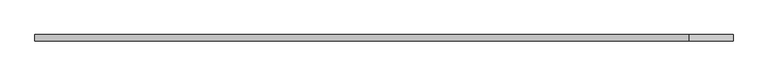
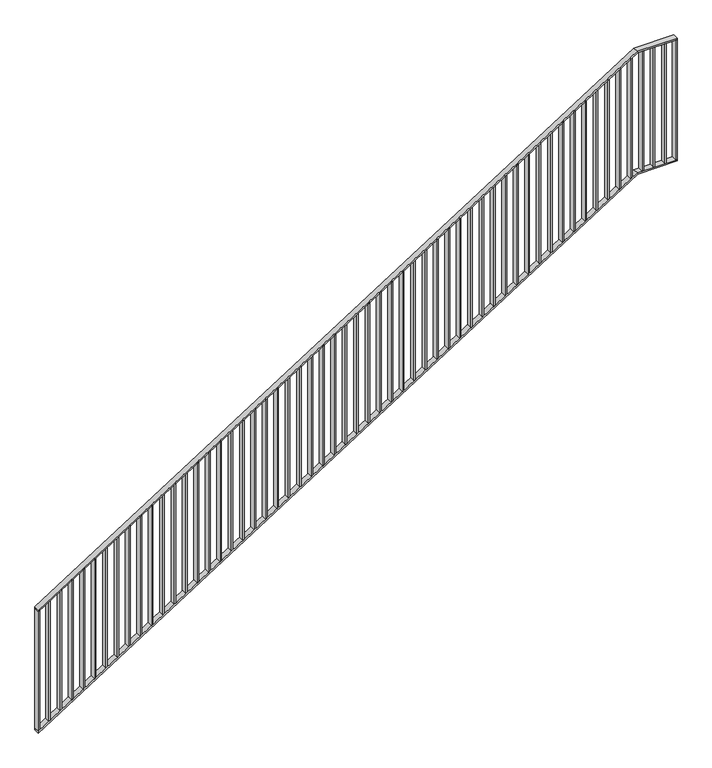
"""IFC4 building model written with IfcOpenShell, lengths in millimetres: railing geometry."""

import ifcopenshell
import ifcopenshell.guid

model = None  # the IFC model being written
_history = None  # IfcOwnerHistory: only IFC2X3 demands one
_inside = {}  # id of a spatial element -> (the spatial element, [elements in it])
_under = {}  # id of a project, library or spatial element -> (it, [spatial elements below it])
_declared = {}  # id of a project -> (the project, [libraries it declares])
_typed = {}  # id of a type object -> (the type object, [elements of that type])
_made_of = {}  # id of a material, layer set ... -> (it, [elements and type objects made of it])


def new_model(schema):
    """Start an empty IFC model of exactly this schema.

    Asked for "IFC4X3", IfcOpenShell would pick the latest addendum, in which some entities
    have other attributes; the version numbers below select the first issue.
    IFC2X3 requires an IfcOwnerHistory on every rooted entity: one is made here for all.
    """
    global model, _history
    if schema == "IFC4X3":
        model = ifcopenshell.file(schema_version=(4, 3, 0, 0))
    else:
        model = ifcopenshell.file(schema=schema)
    _inside.clear()
    _under.clear()
    _declared.clear()
    _typed.clear()
    _made_of.clear()
    _history = None
    if model.schema == "IFC2X3":
        org = make("IfcOrganization", Name="unknown")
        user = make(
            "IfcPersonAndOrganization",
            ThePerson=make("IfcPerson", FamilyName="unknown"),
            TheOrganization=org,
        )
        app = make(
            "IfcApplication",
            ApplicationDeveloper=org,
            Version="unknown",
            ApplicationFullName="unknown",
            ApplicationIdentifier="unknown",
        )
        _history = make(
            "IfcOwnerHistory",
            OwningUser=user,
            OwningApplication=app,
            ChangeAction="ADDED",
            CreationDate=0,
        )
    return model


def make(cls, **values):
    """One entity of the class cls with the attributes given. An attribute that is None is left unset."""
    return model.create_entity(
        cls, **{name: value for name, value in values.items() if value is not None}
    )


def rooted(cls, **values):
    """An entity with a GlobalId (a new one), such as an element, a storey or a relation."""
    return make(cls, GlobalId=ifcopenshell.guid.new(), OwnerHistory=_history, **values)


def si_unit(unit_type, name, prefix=None):
    """IfcSIUnit, for example si_unit("LENGTHUNIT", "METRE", prefix="MILLI")."""
    return make("IfcSIUnit", UnitType=unit_type, Prefix=prefix, Name=name)


def assignment(units):
    """IfcUnitAssignment: the units of a project."""
    return None if units is None else make("IfcUnitAssignment", Units=units)


def point(xyz):
    """IfcCartesianPoint."""
    return None if xyz is None else make("IfcCartesianPoint", Coordinates=xyz)


def direction(xyz):
    """IfcDirection."""
    return None if xyz is None else make("IfcDirection", DirectionRatios=xyz)


def frame(location, z_axis=None, x_axis=None):
    """IfcAxis2Placement3D, a coordinate frame: its origin and axes. An axis left out is left unset."""
    return make(
        "IfcAxis2Placement3D",
        Location=point(location),
        Axis=direction(z_axis),
        RefDirection=direction(x_axis),
    )


def origin():
    """The frame at (0, 0, 0) with its axes left unset."""
    return frame((0.0, 0.0, 0.0))


def place(relative_to, where):
    """IfcLocalPlacement: puts the frame where relative to a parent placement (None: the world)."""
    return make(
        "IfcLocalPlacement", PlacementRelTo=relative_to, RelativePlacement=where
    )


def context(
    kind, dimensions, precision=None, world=None, true_north=None, identifier=None
):
    """IfcGeometricRepresentationContext, for example the 3D "Model" context."""
    return make(
        "IfcGeometricRepresentationContext",
        ContextIdentifier=identifier,
        ContextType=kind,
        CoordinateSpaceDimension=dimensions,
        Precision=precision,
        WorldCoordinateSystem=world,
        TrueNorth=true_north,
    )


def project(units=None, contexts=None):
    """IfcProject with its units and contexts."""
    return rooted(
        "IfcProject",
        Name="project",
        RepresentationContexts=contexts,
        UnitsInContext=assignment(units),
    )


def spatial(cls, under=None, at=None, **own):
    """A site, building, storey or space (cls), placed at a placement, below another one or the project."""
    s = rooted(cls, ObjectPlacement=at, **own)
    if under is not None:
        _under.setdefault(under.id(), (under, []))[1].append(s)
    return s


def polyline(points):
    """IfcPolyline through the points."""
    return make("IfcPolyline", Points=[point(p) for p in points])


def outline(outer, holes=None, kind="AREA"):
    """IfcArbitraryClosedProfileDef: a profile drawn as a closed curve; with holes, ...WithVoids."""
    if holes is None:
        return make("IfcArbitraryClosedProfileDef", ProfileType=kind, OuterCurve=outer)
    return make(
        "IfcArbitraryProfileDefWithVoids",
        ProfileType=kind,
        OuterCurve=outer,
        InnerCurves=holes,
    )


def extrude(swept, where, along, depth):
    """IfcExtrudedAreaSolid: the profile swept, set in the frame where, extruded along a direction by depth."""
    return make(
        "IfcExtrudedAreaSolid",
        SweptArea=swept,
        Position=where,
        ExtrudedDirection=direction(along),
        Depth=depth,
    )


def faces_of(points, faces, orient=None, outer=None):
    """IfcFace entities. A face is a list of loops; a loop is a list of indices into points, from 0.

    orient and outer hold one flag for each loop. By default every Orientation is true, the
    first loop of a face is its IfcFaceOuterBound and the others are IfcFaceBound.
    """
    made = []
    for i, loops in enumerate(faces):
        bounds = []
        for j, loop in enumerate(loops):
            is_outer = j == 0 if outer is None else outer[i][j]
            bounds.append(
                make(
                    "IfcFaceOuterBound" if is_outer else "IfcFaceBound",
                    Bound=make("IfcPolyLoop", Polygon=[points[k] for k in loop]),
                    Orientation=True if orient is None else orient[i][j],
                )
            )
        made.append(make("IfcFace", Bounds=bounds))
    return made


def faceted_brep(points, faces, orient=None, outer=None, voids=None):
    """IfcFacetedBrep: a solid bounded by flat faces; with voids (closed shells), ...WithVoids."""
    shared = [point(p) for p in points]
    hull = make("IfcClosedShell", CfsFaces=faces_of(shared, faces, orient, outer))
    if voids is None:
        return make("IfcFacetedBrep", Outer=hull)
    return make(
        "IfcFacetedBrepWithVoids",
        Outer=hull,
        Voids=[
            make(cls, CfsFaces=faces_of(shared, fs, o, b)) for cls, fs, o, b in voids
        ],
    )


def shape(context_of_items, identifier, shape_type, items):
    """IfcShapeRepresentation: the items that make up one representation, for example the "Body"."""
    return make(
        "IfcShapeRepresentation",
        ContextOfItems=context_of_items,
        RepresentationIdentifier=identifier,
        RepresentationType=shape_type,
        Items=items,
    )


def source(mapping_origin, context_of_items, identifier, shape_type, items):
    """IfcRepresentationMap: a shape defined once, which mapped items show again and again."""
    return make(
        "IfcRepresentationMap",
        MappingOrigin=mapping_origin,
        MappedRepresentation=shape(context_of_items, identifier, shape_type, items),
    )


def transform(
    local_origin,
    x_axis=None,
    y_axis=None,
    z_axis=None,
    scale=None,
    scale2=None,
    scale3=None,
    uniform=True,
):
    """IfcCartesianTransformationOperator3D, or its non-uniform kind. x_axis, y_axis, z_axis: its Axis1, 2, 3."""
    if uniform:
        return make(
            "IfcCartesianTransformationOperator3D",
            Axis1=direction(x_axis),
            Axis2=direction(y_axis),
            LocalOrigin=point(local_origin),
            Scale=scale,
            Axis3=direction(z_axis),
        )
    return make(
        "IfcCartesianTransformationOperator3DnonUniform",
        Axis1=direction(x_axis),
        Axis2=direction(y_axis),
        LocalOrigin=point(local_origin),
        Scale=scale,
        Axis3=direction(z_axis),
        Scale2=scale2,
        Scale3=scale3,
    )


def mapped(mapping_source, mapping_target):
    """IfcMappedItem: shows the shape of a source again, moved by a transform."""
    return make(
        "IfcMappedItem", MappingSource=mapping_source, MappingTarget=mapping_target
    )


def made_of(thing, what):
    """Note that an element or type object is made of a material, layer set ...; save() writes the relation."""
    if what is not None:
        _made_of.setdefault(what.id(), (what, []))[1].append(thing)
    return thing


def element(
    cls,
    number,
    at=None,
    inside=None,
    cuts=None,
    type_object=None,
    material=None,
    context=None,
    identifier="Body",
    shape_type=None,
    held_by="IfcProductDefinitionShape",
    body=None,
    shapes=None,
    **own,
):
    """One element of the class cls, such as IfcWall. Its Tag is "e" and its number.

    at: its placement. inside: the storey or other place that contains it. cuts: it is an
    opening in that element (IfcRelVoidsElement). A single representation is given by context,
    identifier, shape_type and body (its items); several are given by shapes. held_by: the class
    of the entity that holds the representations. save() writes the other relations.
    """
    e = rooted(cls, Tag="e%d" % number, ObjectPlacement=at, **own)
    if body is not None:
        shapes = [shape(context, identifier, shape_type, body)]
    if shapes is not None:
        e.Representation = make(held_by, Representations=shapes)
    if inside is not None:
        _inside.setdefault(inside.id(), (inside, []))[1].append(e)
    if cuts is not None:
        rooted(
            "IfcRelVoidsElement", RelatingBuildingElement=cuts, RelatedOpeningElement=e
        )
    if type_object is not None:
        _typed.setdefault(type_object.id(), (type_object, []))[1].append(e)
    return made_of(e, material)


def aggregate(whole, parts):
    """IfcRelAggregates: a whole, such as a stair, and the parts it consists of."""
    return rooted("IfcRelAggregates", RelatingObject=whole, RelatedObjects=parts)


def save(model, path):
    """Write the relations noted so far, then the file.

    IfcRelAggregates (storeys below a building ...), IfcRelContainedInSpatialStructure (elements
    in a storey), IfcRelDefinesByType, IfcRelAssociatesMaterial and IfcRelDeclares: one each for
    every whole, place, type object, material and project.
    """
    for whole, parts in _under.values():
        aggregate(whole, parts)
    for where, things in _inside.values():
        rooted(
            "IfcRelContainedInSpatialStructure",
            RelatedElements=things,
            RelatingStructure=where,
        )
    for kind, things in _typed.values():
        rooted("IfcRelDefinesByType", RelatedObjects=things, RelatingType=kind)
    for what, things in _made_of.values():
        rooted("IfcRelAssociatesMaterial", RelatedObjects=things, RelatingMaterial=what)
    for by, libraries in _declared.values():
        rooted("IfcRelDeclares", RelatingContext=by, RelatedDefinitions=libraries)
    model.write(path)


def railing_c25cf98c(model_context):
    return source(origin(), model_context, "Body", "SolidModel", [
        faceted_brep([(0.0, -14.6, 1178.125), (0.0, 25.4, 1178.125), (0.0, 25.4, 1166.272994), (0.0, -14.6, 1166.272994), (4200.0, -14.6, 3850.0), (4200.0, 25.4, 3850.0), (4202.9112234, 25.4, 3840.0), (4202.9112234, -14.6, 3840.0), (4480.0, -14.6, 3850.0), (4480.0, -14.6, 3840.0), (4480.0, 25.4, 3840.0), (4480.0, 25.4, 3850.0)], [[[0, 1, 2, 3]], [[1, 0, 4, 5]], [[2, 1, 5, 6]], [[3, 2, 6, 7]], [[0, 3, 7, 4]], [[8, 9, 10, 11]], [[5, 4, 8, 11]], [[6, 5, 11, 10]], [[7, 6, 10, 9]], [[4, 7, 9, 8]]]),
        faceted_brep([(0.0, -14.6, 278.125), (0.0, 25.4, 278.125), (0.0, 25.4, 266.272994), (0.0, -14.6, 266.272994), (4200.0, -14.6, 2950.0), (4200.0, 25.4, 2950.0), (4202.9112234, 25.4, 2940.0), (4202.9112234, -14.6, 2940.0), (4480.0, -14.6, 2950.0), (4480.0, -14.6, 2940.0), (4480.0, 25.4, 2940.0), (4480.0, 25.4, 2950.0)], [[[0, 1, 2, 3]], [[1, 0, 4, 5]], [[2, 1, 5, 6]], [[3, 2, 6, 7]], [[0, 3, 7, 4]], [[8, 9, 10, 11]], [[5, 4, 8, 11]], [[6, 5, 11, 10]], [[7, 6, 10, 9]], [[4, 7, 9, 8]]]),
        extrude(outline(polyline([(4395.0, -14.6), (4395.0, 25.4), (4405.0, 25.4), (4405.0, -14.6), (4395.0, -14.6)])), frame((0.0, 0.0, 2950.0), z_axis=(0.0, 0.0, 1.0), x_axis=(1.0, 0.0, 0.0)), (0.0, 0.0, 1.0), 890.0),
        extrude(outline(polyline([(4315.0, -14.6), (4315.0, 25.4), (4325.0, 25.4), (4325.0, -14.6), (4315.0, -14.6)])), frame((0.0, 0.0, 2950.0), z_axis=(0.0, 0.0, 1.0), x_axis=(1.0, 0.0, 0.0)), (0.0, 0.0, 1.0), 890.0),
        extrude(outline(polyline([(4235.0, -14.6), (4235.0, 25.4), (4245.0, 25.4), (4245.0, -14.6), (4235.0, -14.6)])), frame((0.0, 0.0, 2950.0), z_axis=(0.0, 0.0, 1.0), x_axis=(1.0, 0.0, 0.0)), (0.0, 0.0, 1.0), 890.0),
        extrude(outline(polyline([(3811.3727679, 4155.0), (2921.3727679, 4155.0), (2927.734375, 4165.0), (3817.734375, 4165.0), (3811.3727679, 4155.0)])), frame((0.0, -14.6, 0.0), z_axis=(0.0, 1.0, 0.0), x_axis=(0.0, 0.0, 1.0)), (0.0, 0.0, 1.0), 40.0),
        extrude(outline(polyline([(3760.4799107, 4075.0), (2870.4799107, 4075.0), (2876.8415179, 4085.0), (3766.8415179, 4085.0), (3760.4799107, 4075.0)])), frame((0.0, -14.6, 0.0), z_axis=(0.0, 1.0, 0.0), x_axis=(0.0, 0.0, 1.0)), (0.0, 0.0, 1.0), 40.0),
        extrude(outline(polyline([(3709.5870536, 3995.0), (2819.5870536, 3995.0), (2825.9486607, 4005.0), (3715.9486607, 4005.0), (3709.5870536, 3995.0)])), frame((0.0, -14.6, 0.0), z_axis=(0.0, 1.0, 0.0), x_axis=(0.0, 0.0, 1.0)), (0.0, 0.0, 1.0), 40.0),
        extrude(outline(polyline([(3658.6941964, 3915.0), (2768.6941964, 3915.0), (2775.0558036, 3925.0), (3665.0558036, 3925.0), (3658.6941964, 3915.0)])), frame((0.0, -14.6, 0.0), z_axis=(0.0, 1.0, 0.0), x_axis=(0.0, 0.0, 1.0)), (0.0, 0.0, 1.0), 40.0),
        extrude(outline(polyline([(3607.8013393, 3835.0), (2717.8013393, 3835.0), (2724.1629464, 3845.0), (3614.1629464, 3845.0), (3607.8013393, 3835.0)])), frame((0.0, -14.6, 0.0), z_axis=(0.0, 1.0, 0.0), x_axis=(0.0, 0.0, 1.0)), (0.0, 0.0, 1.0), 40.0),
        extrude(outline(polyline([(3556.9084821, 3755.0), (2666.9084821, 3755.0), (2673.2700893, 3765.0), (3563.2700893, 3765.0), (3556.9084821, 3755.0)])), frame((0.0, -14.6, 0.0), z_axis=(0.0, 1.0, 0.0), x_axis=(0.0, 0.0, 1.0)), (0.0, 0.0, 1.0), 40.0),
        extrude(outline(polyline([(3506.015625, 3675.0), (2616.015625, 3675.0), (2622.3772321, 3685.0), (3512.3772321, 3685.0), (3506.015625, 3675.0)])), frame((0.0, -14.6, 0.0), z_axis=(0.0, 1.0, 0.0), x_axis=(0.0, 0.0, 1.0)), (0.0, 0.0, 1.0), 40.0),
        extrude(outline(polyline([(3455.1227679, 3595.0), (2565.1227679, 3595.0), (2571.484375, 3605.0), (3461.484375, 3605.0), (3455.1227679, 3595.0)])), frame((0.0, -14.6, 0.0), z_axis=(0.0, 1.0, 0.0), x_axis=(0.0, 0.0, 1.0)), (0.0, 0.0, 1.0), 40.0),
        extrude(outline(polyline([(3404.2299107, 3515.0), (2514.2299107, 3515.0), (2520.5915179, 3525.0), (3410.5915179, 3525.0), (3404.2299107, 3515.0)])), frame((0.0, -14.6, 0.0), z_axis=(0.0, 1.0, 0.0), x_axis=(0.0, 0.0, 1.0)), (0.0, 0.0, 1.0), 40.0),
        extrude(outline(polyline([(3353.3370536, 3435.0), (2463.3370536, 3435.0), (2469.6986607, 3445.0), (3359.6986607, 3445.0), (3353.3370536, 3435.0)])), frame((0.0, -14.6, 0.0), z_axis=(0.0, 1.0, 0.0), x_axis=(0.0, 0.0, 1.0)), (0.0, 0.0, 1.0), 40.0),
        extrude(outline(polyline([(3302.4441964, 3355.0), (2412.4441964, 3355.0), (2418.8058036, 3365.0), (3308.8058036, 3365.0), (3302.4441964, 3355.0)])), frame((0.0, -14.6, 0.0), z_axis=(0.0, 1.0, 0.0), x_axis=(0.0, 0.0, 1.0)), (0.0, 0.0, 1.0), 40.0),
        extrude(outline(polyline([(3251.5513393, 3275.0), (2361.5513393, 3275.0), (2367.9129464, 3285.0), (3257.9129464, 3285.0), (3251.5513393, 3275.0)])), frame((0.0, -14.6, 0.0), z_axis=(0.0, 1.0, 0.0), x_axis=(0.0, 0.0, 1.0)), (0.0, 0.0, 1.0), 40.0),
        extrude(outline(polyline([(3200.6584821, 3195.0), (2310.6584821, 3195.0), (2317.0200893, 3205.0), (3207.0200893, 3205.0), (3200.6584821, 3195.0)])), frame((0.0, -14.6, 0.0), z_axis=(0.0, 1.0, 0.0), x_axis=(0.0, 0.0, 1.0)), (0.0, 0.0, 1.0), 40.0),
        extrude(outline(polyline([(3149.765625, 3115.0), (2259.765625, 3115.0), (2266.1272321, 3125.0), (3156.1272321, 3125.0), (3149.765625, 3115.0)])), frame((0.0, -14.6, 0.0), z_axis=(0.0, 1.0, 0.0), x_axis=(0.0, 0.0, 1.0)), (0.0, 0.0, 1.0), 40.0),
        extrude(outline(polyline([(3098.8727679, 3035.0), (2208.8727679, 3035.0), (2215.234375, 3045.0), (3105.234375, 3045.0), (3098.8727679, 3035.0)])), frame((0.0, -14.6, 0.0), z_axis=(0.0, 1.0, 0.0), x_axis=(0.0, 0.0, 1.0)), (0.0, 0.0, 1.0), 40.0),
        extrude(outline(polyline([(3047.9799107, 2955.0), (2157.9799107, 2955.0), (2164.3415179, 2965.0), (3054.3415179, 2965.0), (3047.9799107, 2955.0)])), frame((0.0, -14.6, 0.0), z_axis=(0.0, 1.0, 0.0), x_axis=(0.0, 0.0, 1.0)), (0.0, 0.0, 1.0), 40.0),
        extrude(outline(polyline([(2997.0870536, 2875.0), (2107.0870536, 2875.0), (2113.4486607, 2885.0), (3003.4486607, 2885.0), (2997.0870536, 2875.0)])), frame((0.0, -14.6, 0.0), z_axis=(0.0, 1.0, 0.0), x_axis=(0.0, 0.0, 1.0)), (0.0, 0.0, 1.0), 40.0),
        extrude(outline(polyline([(2946.1941964, 2795.0), (2056.1941964, 2795.0), (2062.5558036, 2805.0), (2952.5558036, 2805.0), (2946.1941964, 2795.0)])), frame((0.0, -14.6, 0.0), z_axis=(0.0, 1.0, 0.0), x_axis=(0.0, 0.0, 1.0)), (0.0, 0.0, 1.0), 40.0),
        extrude(outline(polyline([(2895.3013393, 2715.0), (2005.3013393, 2715.0), (2011.6629464, 2725.0), (2901.6629464, 2725.0), (2895.3013393, 2715.0)])), frame((0.0, -14.6, 0.0), z_axis=(0.0, 1.0, 0.0), x_axis=(0.0, 0.0, 1.0)), (0.0, 0.0, 1.0), 40.0),
        extrude(outline(polyline([(2844.4084821, 2635.0), (1954.4084821, 2635.0), (1960.7700893, 2645.0), (2850.7700893, 2645.0), (2844.4084821, 2635.0)])), frame((0.0, -14.6, 0.0), z_axis=(0.0, 1.0, 0.0), x_axis=(0.0, 0.0, 1.0)), (0.0, 0.0, 1.0), 40.0),
        extrude(outline(polyline([(2793.515625, 2555.0), (1903.515625, 2555.0), (1909.8772321, 2565.0), (2799.8772321, 2565.0), (2793.515625, 2555.0)])), frame((0.0, -14.6, 0.0), z_axis=(0.0, 1.0, 0.0), x_axis=(0.0, 0.0, 1.0)), (0.0, 0.0, 1.0), 40.0),
        extrude(outline(polyline([(2742.6227679, 2475.0), (1852.6227679, 2475.0), (1858.984375, 2485.0), (2748.984375, 2485.0), (2742.6227679, 2475.0)])), frame((0.0, -14.6, 0.0), z_axis=(0.0, 1.0, 0.0), x_axis=(0.0, 0.0, 1.0)), (0.0, 0.0, 1.0), 40.0),
        extrude(outline(polyline([(2691.7299107, 2395.0), (1801.7299107, 2395.0), (1808.0915179, 2405.0), (2698.0915179, 2405.0), (2691.7299107, 2395.0)])), frame((0.0, -14.6, 0.0), z_axis=(0.0, 1.0, 0.0), x_axis=(0.0, 0.0, 1.0)), (0.0, 0.0, 1.0), 40.0),
        extrude(outline(polyline([(2640.8370536, 2315.0), (1750.8370536, 2315.0), (1757.1986607, 2325.0), (2647.1986607, 2325.0), (2640.8370536, 2315.0)])), frame((0.0, -14.6, 0.0), z_axis=(0.0, 1.0, 0.0), x_axis=(0.0, 0.0, 1.0)), (0.0, 0.0, 1.0), 40.0),
        extrude(outline(polyline([(2589.9441964, 2235.0), (1699.9441964, 2235.0), (1706.3058036, 2245.0), (2596.3058036, 2245.0), (2589.9441964, 2235.0)])), frame((0.0, -14.6, 0.0), z_axis=(0.0, 1.0, 0.0), x_axis=(0.0, 0.0, 1.0)), (0.0, 0.0, 1.0), 40.0),
        extrude(outline(polyline([(2539.0513393, 2155.0), (1649.0513393, 2155.0), (1655.4129464, 2165.0), (2545.4129464, 2165.0), (2539.0513393, 2155.0)])), frame((0.0, -14.6, 0.0), z_axis=(0.0, 1.0, 0.0), x_axis=(0.0, 0.0, 1.0)), (0.0, 0.0, 1.0), 40.0),
        extrude(outline(polyline([(2488.1584821, 2075.0), (1598.1584821, 2075.0), (1604.5200893, 2085.0), (2494.5200893, 2085.0), (2488.1584821, 2075.0)])), frame((0.0, -14.6, 0.0), z_axis=(0.0, 1.0, 0.0), x_axis=(0.0, 0.0, 1.0)), (0.0, 0.0, 1.0), 40.0),
        extrude(outline(polyline([(2437.265625, 1995.0), (1547.265625, 1995.0), (1553.6272321, 2005.0), (2443.6272321, 2005.0), (2437.265625, 1995.0)])), frame((0.0, -14.6, 0.0), z_axis=(0.0, 1.0, 0.0), x_axis=(0.0, 0.0, 1.0)), (0.0, 0.0, 1.0), 40.0),
        extrude(outline(polyline([(2386.3727679, 1915.0), (1496.3727679, 1915.0), (1502.734375, 1925.0), (2392.734375, 1925.0), (2386.3727679, 1915.0)])), frame((0.0, -14.6, 0.0), z_axis=(0.0, 1.0, 0.0), x_axis=(0.0, 0.0, 1.0)), (0.0, 0.0, 1.0), 40.0),
        extrude(outline(polyline([(2335.4799107, 1835.0), (1445.4799107, 1835.0), (1451.8415179, 1845.0), (2341.8415179, 1845.0), (2335.4799107, 1835.0)])), frame((0.0, -14.6, 0.0), z_axis=(0.0, 1.0, 0.0), x_axis=(0.0, 0.0, 1.0)), (0.0, 0.0, 1.0), 40.0),
        extrude(outline(polyline([(2284.5870536, 1755.0), (1394.5870536, 1755.0), (1400.9486607, 1765.0), (2290.9486607, 1765.0), (2284.5870536, 1755.0)])), frame((0.0, -14.6, 0.0), z_axis=(0.0, 1.0, 0.0), x_axis=(0.0, 0.0, 1.0)), (0.0, 0.0, 1.0), 40.0),
        extrude(outline(polyline([(2233.6941964, 1675.0), (1343.6941964, 1675.0), (1350.0558036, 1685.0), (2240.0558036, 1685.0), (2233.6941964, 1675.0)])), frame((0.0, -14.6, 0.0), z_axis=(0.0, 1.0, 0.0), x_axis=(0.0, 0.0, 1.0)), (0.0, 0.0, 1.0), 40.0),
        extrude(outline(polyline([(2182.8013393, 1595.0), (1292.8013393, 1595.0), (1299.1629464, 1605.0), (2189.1629464, 1605.0), (2182.8013393, 1595.0)])), frame((0.0, -14.6, 0.0), z_axis=(0.0, 1.0, 0.0), x_axis=(0.0, 0.0, 1.0)), (0.0, 0.0, 1.0), 40.0),
        extrude(outline(polyline([(2131.9084821, 1515.0), (1241.9084821, 1515.0), (1248.2700893, 1525.0), (2138.2700893, 1525.0), (2131.9084821, 1515.0)])), frame((0.0, -14.6, 0.0), z_axis=(0.0, 1.0, 0.0), x_axis=(0.0, 0.0, 1.0)), (0.0, 0.0, 1.0), 40.0),
        extrude(outline(polyline([(2081.015625, 1435.0), (1191.015625, 1435.0), (1197.3772321, 1445.0), (2087.3772321, 1445.0), (2081.015625, 1435.0)])), frame((0.0, -14.6, 0.0), z_axis=(0.0, 1.0, 0.0), x_axis=(0.0, 0.0, 1.0)), (0.0, 0.0, 1.0), 40.0),
        extrude(outline(polyline([(2030.1227679, 1355.0), (1140.1227679, 1355.0), (1146.484375, 1365.0), (2036.484375, 1365.0), (2030.1227679, 1355.0)])), frame((0.0, -14.6, 0.0), z_axis=(0.0, 1.0, 0.0), x_axis=(0.0, 0.0, 1.0)), (0.0, 0.0, 1.0), 40.0),
        extrude(outline(polyline([(1979.2299107, 1275.0), (1089.2299107, 1275.0), (1095.5915179, 1285.0), (1985.5915179, 1285.0), (1979.2299107, 1275.0)])), frame((0.0, -14.6, 0.0), z_axis=(0.0, 1.0, 0.0), x_axis=(0.0, 0.0, 1.0)), (0.0, 0.0, 1.0), 40.0),
        extrude(outline(polyline([(1928.3370536, 1195.0), (1038.3370536, 1195.0), (1044.6986607, 1205.0), (1934.6986607, 1205.0), (1928.3370536, 1195.0)])), frame((0.0, -14.6, 0.0), z_axis=(0.0, 1.0, 0.0), x_axis=(0.0, 0.0, 1.0)), (0.0, 0.0, 1.0), 40.0),
        extrude(outline(polyline([(1877.4441964, 1115.0), (987.4441964, 1115.0), (993.8058036, 1125.0), (1883.8058036, 1125.0), (1877.4441964, 1115.0)])), frame((0.0, -14.6, 0.0), z_axis=(0.0, 1.0, 0.0), x_axis=(0.0, 0.0, 1.0)), (0.0, 0.0, 1.0), 40.0),
        extrude(outline(polyline([(1826.5513393, 1035.0), (936.5513393, 1035.0), (942.9129464, 1045.0), (1832.9129464, 1045.0), (1826.5513393, 1035.0)])), frame((0.0, -14.6, 0.0), z_axis=(0.0, 1.0, 0.0), x_axis=(0.0, 0.0, 1.0)), (0.0, 0.0, 1.0), 40.0),
        extrude(outline(polyline([(1775.6584821, 955.0), (885.6584821, 955.0), (892.0200893, 965.0), (1782.0200893, 965.0), (1775.6584821, 955.0)])), frame((0.0, -14.6, 0.0), z_axis=(0.0, 1.0, 0.0), x_axis=(0.0, 0.0, 1.0)), (0.0, 0.0, 1.0), 40.0),
        extrude(outline(polyline([(1724.765625, 875.0), (834.765625, 875.0), (841.1272321, 885.0), (1731.1272321, 885.0), (1724.765625, 875.0)])), frame((0.0, -14.6, 0.0), z_axis=(0.0, 1.0, 0.0), x_axis=(0.0, 0.0, 1.0)), (0.0, 0.0, 1.0), 40.0),
        extrude(outline(polyline([(1673.8727679, 795.0), (783.8727679, 795.0), (790.234375, 805.0), (1680.234375, 805.0), (1673.8727679, 795.0)])), frame((0.0, -14.6, 0.0), z_axis=(0.0, 1.0, 0.0), x_axis=(0.0, 0.0, 1.0)), (0.0, 0.0, 1.0), 40.0),
        extrude(outline(polyline([(1622.9799107, 715.0), (732.9799107, 715.0), (739.3415179, 725.0), (1629.3415179, 725.0), (1622.9799107, 715.0)])), frame((0.0, -14.6, 0.0), z_axis=(0.0, 1.0, 0.0), x_axis=(0.0, 0.0, 1.0)), (0.0, 0.0, 1.0), 40.0),
        extrude(outline(polyline([(1572.0870536, 635.0), (682.0870536, 635.0), (688.4486607, 645.0), (1578.4486607, 645.0), (1572.0870536, 635.0)])), frame((0.0, -14.6, 0.0), z_axis=(0.0, 1.0, 0.0), x_axis=(0.0, 0.0, 1.0)), (0.0, 0.0, 1.0), 40.0),
        extrude(outline(polyline([(1521.1941964, 555.0), (631.1941964, 555.0), (637.5558036, 565.0), (1527.5558036, 565.0), (1521.1941964, 555.0)])), frame((0.0, -14.6, 0.0), z_axis=(0.0, 1.0, 0.0), x_axis=(0.0, 0.0, 1.0)), (0.0, 0.0, 1.0), 40.0),
        extrude(outline(polyline([(1470.3013393, 475.0), (580.3013393, 475.0), (586.6629464, 485.0), (1476.6629464, 485.0), (1470.3013393, 475.0)])), frame((0.0, -14.6, 0.0), z_axis=(0.0, 1.0, 0.0), x_axis=(0.0, 0.0, 1.0)), (0.0, 0.0, 1.0), 40.0),
        extrude(outline(polyline([(1419.4084821, 395.0), (529.4084821, 395.0), (535.7700893, 405.0), (1425.7700893, 405.0), (1419.4084821, 395.0)])), frame((0.0, -14.6, 0.0), z_axis=(0.0, 1.0, 0.0), x_axis=(0.0, 0.0, 1.0)), (0.0, 0.0, 1.0), 40.0),
        extrude(outline(polyline([(1368.515625, 315.0), (478.515625, 315.0), (484.8772321, 325.0), (1374.8772321, 325.0), (1368.515625, 315.0)])), frame((0.0, -14.6, 0.0), z_axis=(0.0, 1.0, 0.0), x_axis=(0.0, 0.0, 1.0)), (0.0, 0.0, 1.0), 40.0),
        extrude(outline(polyline([(1317.6227679, 235.0), (427.6227679, 235.0), (433.984375, 245.0), (1323.984375, 245.0), (1317.6227679, 235.0)])), frame((0.0, -14.6, 0.0), z_axis=(0.0, 1.0, 0.0), x_axis=(0.0, 0.0, 1.0)), (0.0, 0.0, 1.0), 40.0),
        extrude(outline(polyline([(1266.7299107, 155.0), (376.7299107, 155.0), (383.0915179, 165.0), (1273.0915179, 165.0), (1266.7299107, 155.0)])), frame((0.0, -14.6, 0.0), z_axis=(0.0, 1.0, 0.0), x_axis=(0.0, 0.0, 1.0)), (0.0, 0.0, 1.0), 40.0),
        extrude(outline(polyline([(1215.8370536, 75.0), (325.8370536, 75.0), (332.1986607, 85.0), (1222.1986607, 85.0), (1215.8370536, 75.0)])), frame((0.0, -14.6, 0.0), z_axis=(0.0, 1.0, 0.0), x_axis=(0.0, 0.0, 1.0)), (0.0, 0.0, 1.0), 40.0),
        extrude(outline(polyline([(4470.0, -14.6), (4470.0, 25.4), (4480.0, 25.4), (4480.0, -14.6), (4470.0, -14.6)])), frame((0.0, 0.0, 2950.0), z_axis=(0.0, 0.0, 1.0), x_axis=(1.0, 0.0, 0.0)), (0.0, 0.0, 1.0), 890.0),
        extrude(outline(polyline([(1168.125, 0.0), (278.125, 0.0), (284.4866071, 10.0), (1174.4866071, 10.0), (1168.125, 0.0)])), frame((0.0, -14.6, 0.0), z_axis=(0.0, 1.0, 0.0), x_axis=(0.0, 0.0, 1.0)), (0.0, 0.0, 1.0), 40.0),
    ])


if __name__ == "__main__":
    model = new_model("IFC4")
    model_context = context("Model", 3, world=origin())
    ifc_project = project(units=[si_unit("LENGTHUNIT", "METRE", prefix="MILLI")], contexts=[model_context])
    site = spatial("IfcSite", under=ifc_project)
    building = spatial("IfcBuilding", under=site)
    placement = place(None, origin())
    railing_shape = railing_c25cf98c(model_context)
    element("IfcRailing", 1, at=placement, inside=building, context=model_context, shape_type="MappedRepresentation", body=[
        mapped(railing_shape, transform((0.0, 0.0, 0.0), x_axis=(1.0, 0.0, 0.0), y_axis=(0.0, 1.0, 0.0), z_axis=(0.0, 0.0, 1.0))),
    ])
    save(model, "model.ifc")
